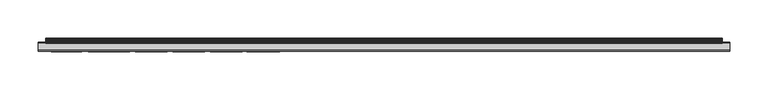
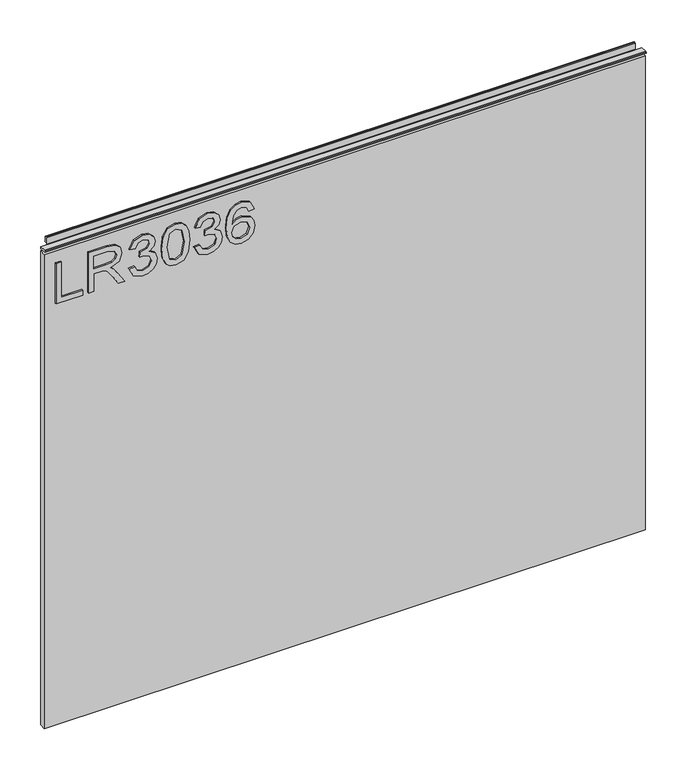
"""IFC4 building model written with IfcOpenShell, lengths in millimetres: furniture geometry."""

from ifc_helpers import new_model, si_unit, frame, origin, place, context, project, spatial, polyline, outline, extrude, source, transform, mapped, element, save


def furniture_45f44bfd(model_context):
    return source(origin(), model_context, "Body", "SweptSolid", [
        extrude(outline(polyline([(773.6078, -281.6939953), (773.6078, -241.8253972), (781.5815196, -241.8253972), (781.5815196, -273.7202757), (837.3975569, -273.7202757), (837.3975569, -281.6939953), (773.6078, -281.6939953)])), frame((0.0, -5.4626842, 0.0), z_axis=(0.0, 1.0, 0.0), x_axis=(0.0, 0.0, 1.0)), (0.0, 0.0, 1.0), 2.38125),
        extrude(outline(polyline([(773.6078, -232.8549627), (773.6078, -224.8812431), (801.5158187, -224.8812431), (801.5158187, -215.2567143), (801.2354926, -210.631334), (799.7170596, -206.8391451), (795.58225, -202.626467), (786.8298468, -196.6306036), (773.6078, -188.3298369), (773.6078, -179.0635026), (790.894575, -189.70032), (799.1018996, -196.1633935), (802.5125336, -200.6953318), (808.4461023, -187.3409088), (819.9394716, -183.0192151), (829.5873609, -185.627805), (835.6766663, -192.6048096), (837.3975569, -205.3674331), (837.3975569, -232.8549627), (773.6078, -232.8549627)]), holes=[polyline([(809.4895383, -224.8812431), (829.4238373, -224.8812431), (829.4238373, -205.0248124), (826.6672975, -194.3646345), (819.6435719, -190.9929347), (814.2317211, -192.7605464), (810.6186294, -197.9310052), (809.4895383, -207.0338159), (809.4895383, -224.8812431)])]), frame((0.0, -5.4626842, 0.0), z_axis=(0.0, 1.0, 0.0), x_axis=(0.0, 0.0, 1.0)), (0.0, 0.0, 1.0), 2.38125),
        extrude(outline(polyline([(790.5519542, -172.0553506), (777.6102335, -165.7168664), (772.611085, -151.7317098), (774.0750101, -143.2090182), (778.4667854, -136.2982017), (784.9610063, -131.7195424), (792.7322681, -130.1933226), (803.1043331, -133.2457621), (808.555118, -141.9358706), (813.8345925, -135.3949287), (821.1853653, -133.1834674), (829.2291664, -135.5117313), (835.2094562, -142.2395572), (837.3975569, -151.8562991), (832.9590607, -164.5332674), (820.4534028, -171.0586356), (819.4566878, -163.084916), (826.9320499, -159.1759246), (829.4238373, -151.5759731), (826.9554105, -144.0694636), (820.7181552, -141.1571871), (813.6788558, -145.1751942), (811.4829682, -155.5005382), (803.5092486, -156.3882374), (804.3813742, -150.7972895), (801.11869, -141.7334129), (792.8724312, -138.1670422), (784.120028, -141.7645602), (780.5848047, -151.4513837), (783.1544604, -159.6820689), (791.5486691, -164.081631), (790.5519542, -172.0553506)])), frame((0.0, -5.4626842, 0.0), z_axis=(0.0, 1.0, 0.0), x_axis=(0.0, 0.0, 1.0)), (0.0, 0.0, 1.0), 2.38125),
        extrude(outline(polyline([(804.9887473, -123.2163179), (789.4734775, -121.6278035), (778.6848168, -116.8622601), (774.129518, -110.570497), (772.611085, -102.2853039), (776.1073742, -90.6128374), (786.7130443, -83.6747669), (804.9887473, -81.3542899), (819.9784058, -82.8026413), (829.4160505, -86.5403224), (835.3418324, -92.9722486), (837.3975569, -102.2853039), (833.9246283, -113.9110494), (823.3423188, -120.8724804), (804.9887473, -123.2163179)]), holes=[polyline([(805.004321, -115.2425983), (825.1566514, -111.3803279), (829.4238373, -102.378746), (824.5804256, -92.9411012), (805.004321, -89.3280095), (785.2179718, -93.0656906), (780.5848047, -102.2853039), (785.2023982, -111.5049172), (805.004321, -115.2425983)])]), frame((0.0, -5.4626842, 0.0), z_axis=(0.0, 1.0, 0.0), x_axis=(0.0, 0.0, 1.0)), (0.0, 0.0, 1.0), 2.38125),
        extrude(outline(polyline([(790.5519542, -74.3772853), (777.6102335, -68.0388011), (772.611085, -54.0536444), (774.0750101, -45.5309529), (778.4667854, -38.6201364), (784.9610063, -34.041477), (792.7322681, -32.5152573), (803.1043331, -35.5676968), (808.555118, -44.2578053), (813.8345925, -37.7168634), (821.1853653, -35.5054021), (829.2291664, -37.833666), (835.2094562, -44.5614919), (837.3975569, -54.1782338), (832.9590607, -66.8552021), (820.4534028, -73.3805703), (819.4566878, -65.4068507), (826.9320499, -61.4978592), (829.4238373, -53.8979077), (826.9554105, -46.3913982), (820.7181552, -43.4791217), (813.6788558, -47.4971289), (811.4829682, -57.8224729), (803.5092486, -58.7101721), (804.3813742, -53.1192242), (801.11869, -44.0553476), (792.8724312, -40.4889769), (784.120028, -44.0864949), (780.5848047, -53.7733184), (783.1544604, -62.0040036), (791.5486691, -66.4035656), (790.5519542, -74.3772853)])), frame((0.0, -5.4626842, 0.0), z_axis=(0.0, 1.0, 0.0), x_axis=(0.0, 0.0, 1.0)), (0.0, 0.0, 1.0), 2.38125),
        extrude(outline(polyline([(820.4534028, 15.3270604), (832.896766, 9.4402128), (837.3975569, -3.1588872), (835.5793308, -12.4135413), (830.1246525, -19.5579629), (819.2659103, -24.7907164), (803.3846592, -26.5349676), (789.2593395, -24.9639735), (779.7749738, -20.2509913), (774.4020572, -13.0462216), (772.611085, -3.9998654), (775.313117, 6.4500679), (783.0999526, 13.691825), (794.1027512, 16.3237754), (802.2750351, 14.9260384), (808.7887231, 10.7328275), (814.473113, -2.8162664), (812.3940279, -11.5297354), (806.0321833, -18.5612479), (820.2431582, -16.2952788), (827.4927021, -10.8522807), (829.4238373, -3.6572447), (826.1066454, 4.3320486), (819.4566878, 7.3533408), (820.4534028, 15.3270604)]), holes=[polyline([(794.2273406, -18.5612479), (803.11212, -14.5977486), (806.4993934, -4.9498594), (803.11212, 4.8226193), (793.8379988, 8.3500558), (784.1511754, 4.7758983), (780.5848047, -4.6228123), (782.3056953, -11.8100615), (787.3204174, -16.7157679), (794.2273406, -18.5612479)])]), frame((0.0, -5.4626842, 0.0), z_axis=(0.0, 1.0, 0.0), x_axis=(0.0, 0.0, 1.0)), (0.0, 0.0, 1.0), 2.38125),
        extrude(outline(polyline([(5.5562561, 863.6), (6.3500061, 863.6), (6.3500061, 873.47425), (7.1437561, 874.268), (8.6677569, 874.268), (10.0084363, 873.8506926), (10.875413, 872.7461816), (10.9623604, 871.3447591), (10.2390011, 868.3863459), (10.4046103, 867.1833307), (11.6746103, 864.9836103), (10.7786383, 864.4663244), (7.1437561, 864.4663244), (7.1437561, 863.6), (6.3500061, 863.3669239), (6.3500061, 856.1578), (5.5562561, 856.1578), (5.5562561, 863.6)])), frame((-288.671, 0.0, 0.0), z_axis=(1.0, 0.0, 0.0), x_axis=(0.0, 1.0, 0.0)), (0.0, 0.0, 1.0), 882.142),
        extrude(outline(polyline([(5.5562561, 863.6), (5.5562561, 860.4249996), (-3.975094, 860.4249996), (-5.3492339, 861.2183657), (-5.3492339, 862.8066395), (-3.9751037, 863.6), (5.5562561, 863.6)])), frame((-298.196, 0.0, 0.0), z_axis=(1.0, 0.0, 0.0), x_axis=(0.0, 1.0, 0.0)), (0.0, 0.0, 1.0), 901.192),
        extrude(outline(polyline([(602.996, 6.3500061), (602.996, -3.1749939), (-298.196, -3.1749939), (-298.196, 6.3500061), (602.996, 6.3500061)])), frame((0.0, 0.0, 104.69626), z_axis=(0.0, 0.0, 1.0), x_axis=(1.0, 0.0, 0.0)), (0.0, 0.0, 1.0), 751.46154),
    ])


if __name__ == "__main__":
    model = new_model("IFC4")
    model_context = context("Model", 3, world=origin())
    ifc_project = project(units=[si_unit("LENGTHUNIT", "METRE", prefix="MILLI")], contexts=[model_context])
    site = spatial("IfcSite", under=ifc_project)
    building = spatial("IfcBuilding", under=site)
    placement = place(None, origin())
    furniture_shape = furniture_45f44bfd(model_context)
    element("IfcFurniture", 1, at=placement, inside=building, context=model_context, shape_type="MappedRepresentation", body=[
        mapped(furniture_shape, transform((0.0, 0.0, 0.0), x_axis=(1.0, 0.0, 0.0), y_axis=(0.0, 1.0, 0.0), z_axis=(0.0, 0.0, 1.0))),
    ])
    save(model, "model.ifc")
